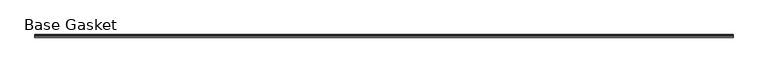
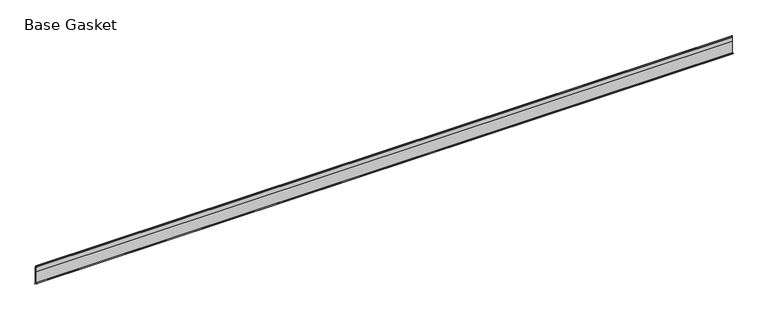
"""IFC4 building model written with IfcOpenShell, lengths in millimetres: furniture geometry, Base Gasket."""

from ifc_helpers import new_model, si_unit, frame, origin, place, context, project, spatial, polyline, outline, extrude, source, transform, mapped, element, save


def base_gasket_b11eddf9(model_context):
    return source(origin(), model_context, "Body", "SweptSolid", [
        extrude(outline(polyline([(3.7283812, 98.4568417), (3.7283812, 4.3498477), (7.4222115, 0.6560174), (7.8482342, 0.0), (6.8281054, 0.3520979), (2.2043812, 4.3498477), (2.1334222, 6.3818476), (-6.2405171, 6.3818476), (-6.2405171, 7.9398773), (2.2043812, 7.9398773), (2.2043812, 71.4693447), (1.4106313, 71.4693447), (1.4106313, 96.8693477), (2.2043812, 96.8693477), (2.2043812, 98.4568417), (0.6755308, 104.4162708), (0.6755308, 105.2002997), (1.1891543, 104.587663), (3.7283812, 98.4568417)])), frame((-1527.8982117, 0.0, 0.0), z_axis=(1.0, 0.0, 0.0), x_axis=(0.0, 1.0, 0.0)), (0.0, 0.0, 1.0), 3770.6413754),
    ])


if __name__ == "__main__":
    model = new_model("IFC4")
    model_context = context("Model", 3, world=origin())
    ifc_project = project(units=[si_unit("LENGTHUNIT", "METRE", prefix="MILLI")], contexts=[model_context])
    site = spatial("IfcSite", under=ifc_project)
    building = spatial("IfcBuilding", under=site)
    placement = place(None, origin())
    base_gasket_shape = base_gasket_b11eddf9(model_context)
    element("IfcFurniture", 1, ObjectType="Base Gasket", at=placement, inside=building, context=model_context, shape_type="MappedRepresentation", body=[
        mapped(base_gasket_shape, transform((0.0, 0.0, 0.0), x_axis=(1.0, 0.0, 0.0), y_axis=(0.0, 1.0, 0.0), z_axis=(0.0, 0.0, 1.0))),
    ])
    save(model, "model.ifc")
